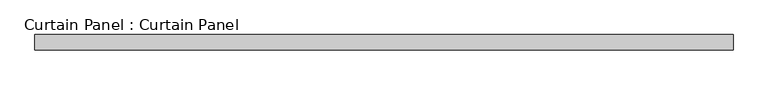
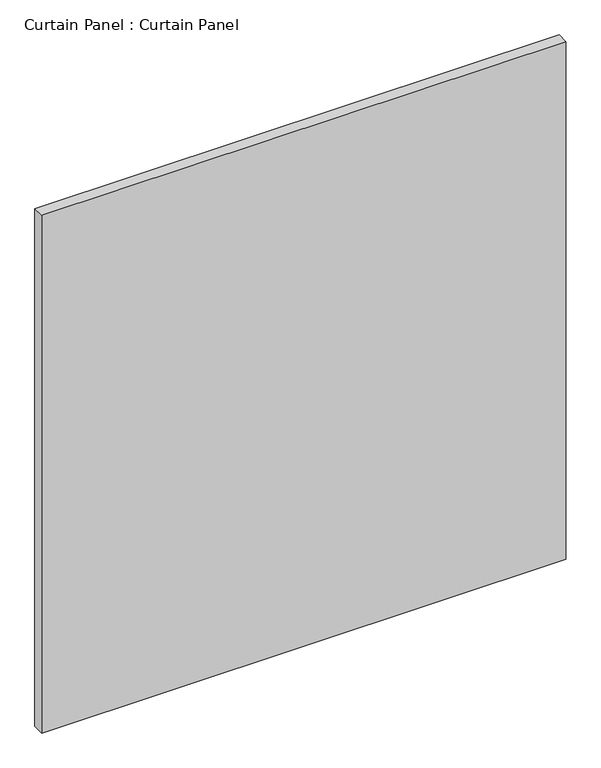
"""IFC4 building model written with IfcOpenShell, lengths in millimetres: plate geometry, Curtain Panel : Curtain Panel."""

from ifc_helpers import new_model, si_unit, frame, origin, place, context, project, spatial, polyline, outline, extrude, source, transform, mapped, element, save


def curtain_panel_curtain_panel_19497803(model_context):
    return source(origin(), model_context, "Body", "SweptSolid", [
        extrude(outline(polyline([(-407798.5820997, 7226.1665558), (-408947.7149983, 7226.1665558), (-408947.7149983, 7251.5665558), (-407798.5820997, 7251.5665558), (-407798.5820997, 7226.1665558)])), frame((0.0, 0.0, 1228.7251132), z_axis=(0.0, 0.0, 1.0), x_axis=(1.0, 0.0, 0.0)), (0.0, 0.0, 1.0), 1200.1497736),
    ])


if __name__ == "__main__":
    model = new_model("IFC4")
    model_context = context("Model", 3, world=origin())
    ifc_project = project(units=[si_unit("LENGTHUNIT", "METRE", prefix="MILLI")], contexts=[model_context])
    site = spatial("IfcSite", under=ifc_project)
    building = spatial("IfcBuilding", under=site)
    placement = place(None, origin())
    curtain_panel_curtain_panel_shape = curtain_panel_curtain_panel_19497803(model_context)
    element("IfcPlate", 1, ObjectType="Curtain Panel : Curtain Panel", at=placement, inside=building, context=model_context, shape_type="MappedRepresentation", body=[
        mapped(curtain_panel_curtain_panel_shape, transform((0.0, 0.0, 0.0), x_axis=(1.0, 0.0, 0.0), y_axis=(0.0, 1.0, 0.0), z_axis=(0.0, 0.0, 1.0))),
    ])
    save(model, "model.ifc")
